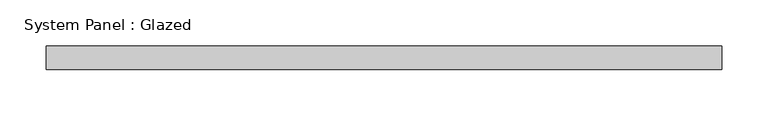
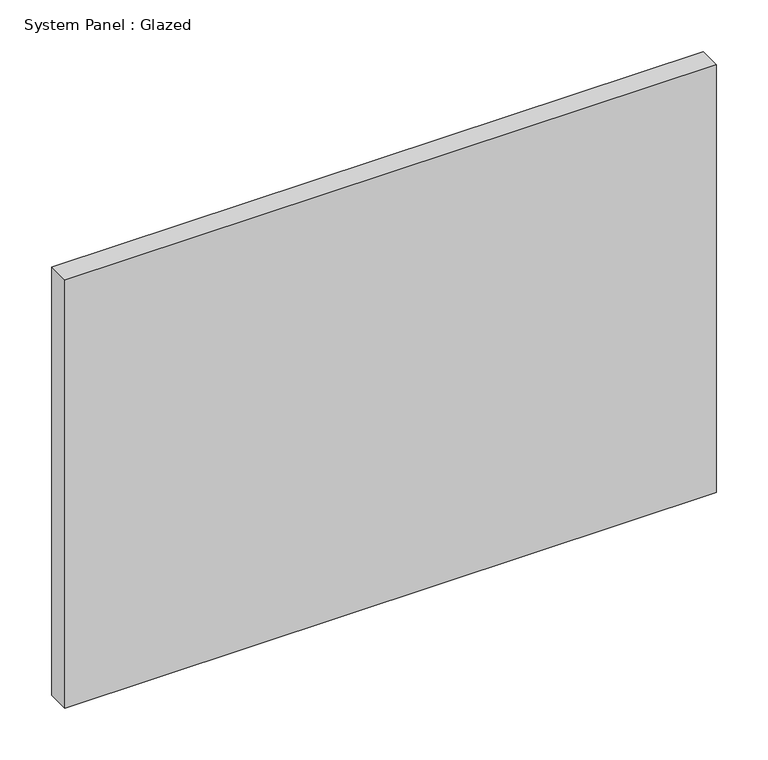
"""IFC4 building model written with IfcOpenShell, lengths in millimetres: plate geometry, System Panel : Glazed."""

from ifc_helpers import new_model, si_unit, origin, origin_with_axes, place, context, project, spatial, polyline, outline, extrude, source, transform, mapped, element, save


def system_panel_glazed_cd00f291(model_context):
    return source(origin(), model_context, "Body", "SweptSolid", [
        extrude(outline(polyline([(363.6722104, 19.05), (-363.6722104, 19.05), (-363.6722104, 44.45), (363.6722104, 44.45), (363.6722104, 19.05)])), origin_with_axes(), (0.0, 0.0, 1.0), 505.46),
    ])


if __name__ == "__main__":
    model = new_model("IFC4")
    model_context = context("Model", 3, world=origin())
    ifc_project = project(units=[si_unit("LENGTHUNIT", "METRE", prefix="MILLI")], contexts=[model_context])
    site = spatial("IfcSite", under=ifc_project)
    building = spatial("IfcBuilding", under=site)
    placement = place(None, origin())
    system_panel_glazed_shape = system_panel_glazed_cd00f291(model_context)
    element("IfcPlate", 1, ObjectType="System Panel : Glazed", at=placement, inside=building, context=model_context, shape_type="MappedRepresentation", body=[
        mapped(system_panel_glazed_shape, transform((0.0, 0.0, 0.0), x_axis=(1.0, 0.0, 0.0), y_axis=(0.0, 1.0, 0.0), z_axis=(0.0, 0.0, 1.0))),
    ])
    save(model, "model.ifc")
